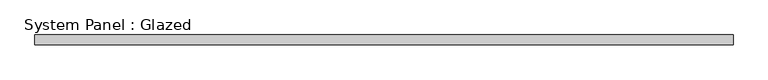
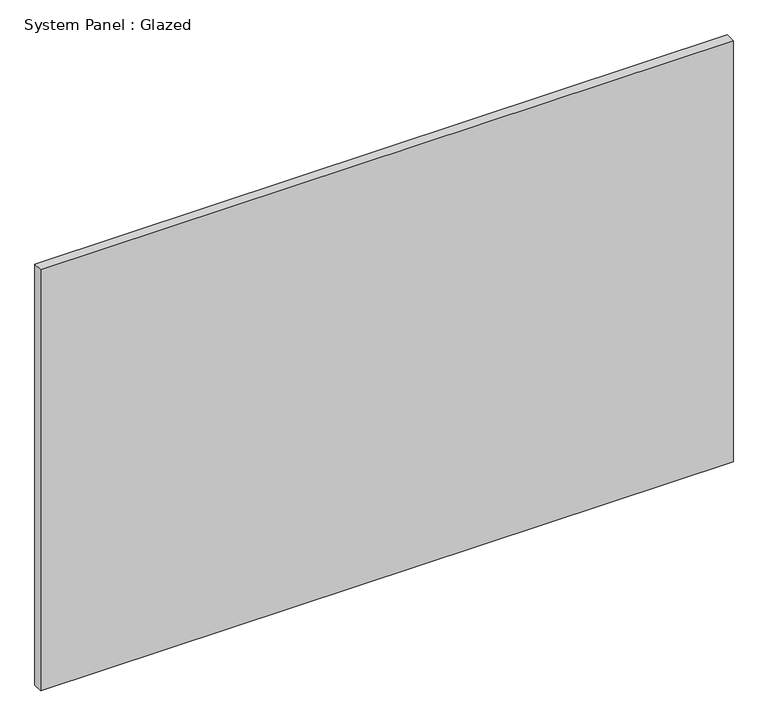
"""IFC4 building model written with IfcOpenShell, lengths in millimetres: plate geometry, System Panel : Glazed."""

from ifc_helpers import new_model, si_unit, origin, origin_with_axes, place, context, project, spatial, polyline, outline, extrude, source, transform, mapped, element, save


def system_panel_glazed_496c9b38(model_context):
    return source(origin(), model_context, "Body", "SweptSolid", [
        extrude(outline(polyline([(889.0, -12.7), (-889.0, -12.7), (-889.0, 12.7), (889.0, 12.7), (889.0, -12.7)])), origin_with_axes(), (0.0, 0.0, 1.0), 1143.0),
    ])


if __name__ == "__main__":
    model = new_model("IFC4")
    model_context = context("Model", 3, world=origin())
    ifc_project = project(units=[si_unit("LENGTHUNIT", "METRE", prefix="MILLI")], contexts=[model_context])
    site = spatial("IfcSite", under=ifc_project)
    building = spatial("IfcBuilding", under=site)
    placement = place(None, origin())
    system_panel_glazed_shape = system_panel_glazed_496c9b38(model_context)
    element("IfcPlate", 1, ObjectType="System Panel : Glazed", at=placement, inside=building, context=model_context, shape_type="MappedRepresentation", body=[
        mapped(system_panel_glazed_shape, transform((0.0, 0.0, 0.0), x_axis=(1.0, 0.0, 0.0), y_axis=(0.0, 1.0, 0.0), z_axis=(0.0, 0.0, 1.0))),
    ])
    save(model, "model.ifc")
